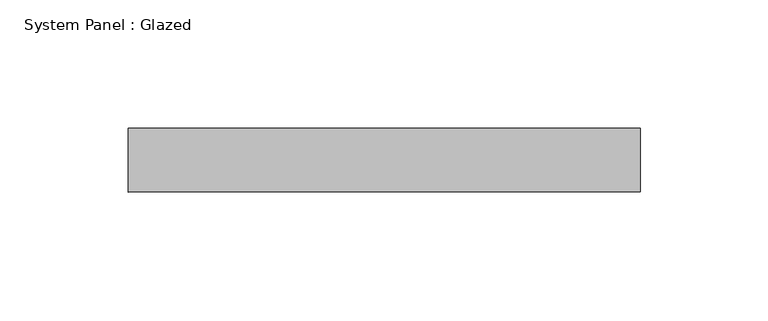
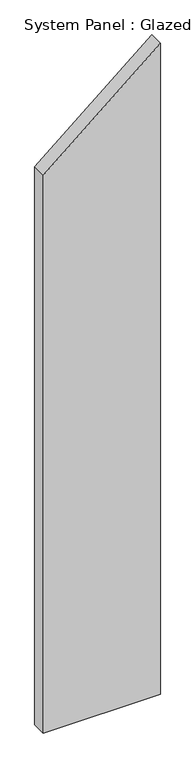
"""IFC4 building model written with IfcOpenShell, lengths in millimetres: plate geometry, System Panel : Glazed."""

from ifc_helpers import new_model, si_unit, frame, origin, place, context, project, spatial, polyline, outline, extrude, source, transform, mapped, element, save


def system_panel_glazed_f69b450e(model_context):
    return source(origin(), model_context, "Body", "SweptSolid", [
        extrude(outline(polyline([(0.0, -100.0), (0.0, 100.0), (1174.7394839, 100.0), (1006.9195577, -100.0), (0.0, -100.0)])), frame((0.0, 24.5, 0.0), z_axis=(0.0, 1.0, 0.0), x_axis=(0.0, 0.0, 1.0)), (0.0, 0.0, 1.0), 25.0),
    ])


if __name__ == "__main__":
    model = new_model("IFC4")
    model_context = context("Model", 3, world=origin())
    ifc_project = project(units=[si_unit("LENGTHUNIT", "METRE", prefix="MILLI")], contexts=[model_context])
    site = spatial("IfcSite", under=ifc_project)
    building = spatial("IfcBuilding", under=site)
    placement = place(None, origin())
    system_panel_glazed_shape = system_panel_glazed_f69b450e(model_context)
    element("IfcPlate", 1, ObjectType="System Panel : Glazed", at=placement, inside=building, context=model_context, shape_type="MappedRepresentation", body=[
        mapped(system_panel_glazed_shape, transform((0.0, 0.0, 0.0), x_axis=(1.0, 0.0, 0.0), y_axis=(0.0, 1.0, 0.0), z_axis=(0.0, 0.0, 1.0))),
    ])
    save(model, "model.ifc")
